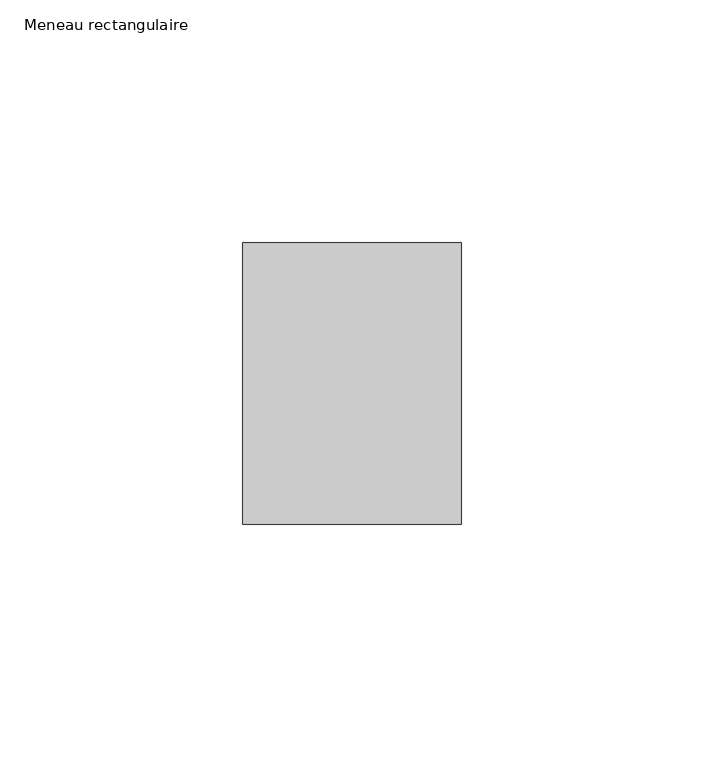
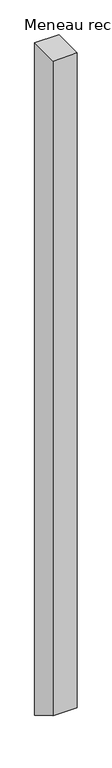
"""IFC4 building model written with IfcOpenShell, lengths in millimetres: member geometry, Meneau rectangulaire."""

from ifc_helpers import new_model, si_unit, frame, origin, place, context, project, spatial, polyline, outline, extrude, source, transform, mapped, element, save


def meneau_rectangulaire_803fbe9f(model_context):
    return source(origin(), model_context, "Body", "SweptSolid", [
        extrude(outline(polyline([(-29.0, 0.0), (29.0, 0.0), (29.0, -1311.618158), (-29.0, -1278.1318423), (-29.0, 0.0)])), frame((-45.0, 0.0, 0.0), z_axis=(1.0, 0.0, 0.0), x_axis=(0.0, 1.0, 0.0)), (0.0, 0.0, 1.0), 45.0),
    ])


if __name__ == "__main__":
    model = new_model("IFC4")
    model_context = context("Model", 3, world=origin())
    ifc_project = project(units=[si_unit("LENGTHUNIT", "METRE", prefix="MILLI")], contexts=[model_context])
    site = spatial("IfcSite", under=ifc_project)
    building = spatial("IfcBuilding", under=site)
    placement = place(None, origin())
    meneau_rectangulaire_shape = meneau_rectangulaire_803fbe9f(model_context)
    element("IfcMember", 1, ObjectType="Meneau rectangulaire", at=placement, inside=building, context=model_context, shape_type="MappedRepresentation", body=[
        mapped(meneau_rectangulaire_shape, transform((0.0, 0.0, 0.0), x_axis=(1.0, 0.0, 0.0), y_axis=(0.0, 1.0, 0.0), z_axis=(0.0, 0.0, 1.0))),
    ])
    save(model, "model.ifc")
